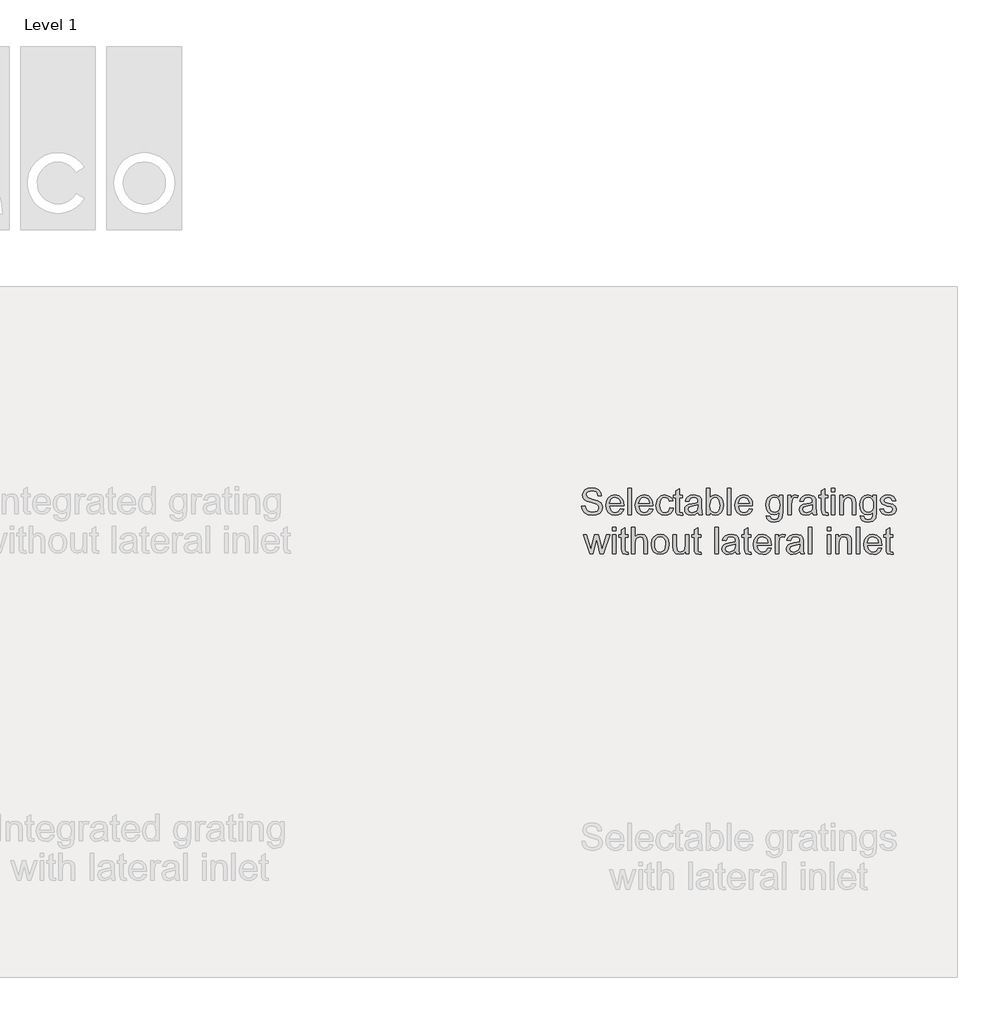
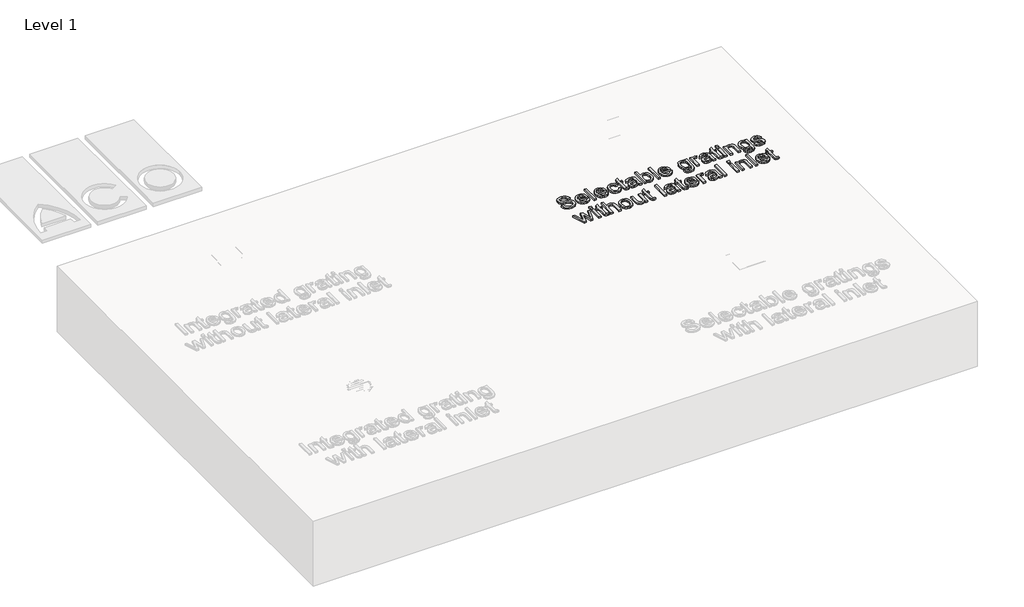
# One storey, part 4 of 5: 1 proxy.
"""IFC4 building model written with IfcOpenShell, lengths in millimetres."""

import ifcopenshell
import ifcopenshell.guid

model = None  # the IFC model being written
_history = None  # IfcOwnerHistory: only IFC2X3 demands one
_inside = {}  # id of a spatial element -> (the spatial element, [elements in it])
_under = {}  # id of a project, library or spatial element -> (it, [spatial elements below it])
_declared = {}  # id of a project -> (the project, [libraries it declares])
_typed = {}  # id of a type object -> (the type object, [elements of that type])
_made_of = {}  # id of a material, layer set ... -> (it, [elements and type objects made of it])


def new_model(schema):
    """Start an empty IFC model of exactly this schema.

    Asked for "IFC4X3", IfcOpenShell would pick the latest addendum, in which some entities
    have other attributes; the version numbers below select the first issue.
    IFC2X3 requires an IfcOwnerHistory on every rooted entity: one is made here for all.
    """
    global model, _history
    if schema == "IFC4X3":
        model = ifcopenshell.file(schema_version=(4, 3, 0, 0))
    else:
        model = ifcopenshell.file(schema=schema)
    _inside.clear()
    _under.clear()
    _declared.clear()
    _typed.clear()
    _made_of.clear()
    _history = None
    if model.schema == "IFC2X3":
        org = make("IfcOrganization", Name="unknown")
        user = make(
            "IfcPersonAndOrganization",
            ThePerson=make("IfcPerson", FamilyName="unknown"),
            TheOrganization=org,
        )
        app = make(
            "IfcApplication",
            ApplicationDeveloper=org,
            Version="unknown",
            ApplicationFullName="unknown",
            ApplicationIdentifier="unknown",
        )
        _history = make(
            "IfcOwnerHistory",
            OwningUser=user,
            OwningApplication=app,
            ChangeAction="ADDED",
            CreationDate=0,
        )
    return model


def make(cls, **values):
    """One entity of the class cls with the attributes given. An attribute that is None is left unset."""
    return model.create_entity(
        cls, **{name: value for name, value in values.items() if value is not None}
    )


def rooted(cls, **values):
    """An entity with a GlobalId (a new one), such as an element, a storey or a relation."""
    return make(cls, GlobalId=ifcopenshell.guid.new(), OwnerHistory=_history, **values)


def si_unit(unit_type, name, prefix=None):
    """IfcSIUnit, for example si_unit("LENGTHUNIT", "METRE", prefix="MILLI")."""
    return make("IfcSIUnit", UnitType=unit_type, Prefix=prefix, Name=name)


def assignment(units):
    """IfcUnitAssignment: the units of a project."""
    return None if units is None else make("IfcUnitAssignment", Units=units)


def point(xyz):
    """IfcCartesianPoint."""
    return None if xyz is None else make("IfcCartesianPoint", Coordinates=xyz)


def direction(xyz):
    """IfcDirection."""
    return None if xyz is None else make("IfcDirection", DirectionRatios=xyz)


def frame(location, z_axis=None, x_axis=None):
    """IfcAxis2Placement3D, a coordinate frame: its origin and axes. An axis left out is left unset."""
    return make(
        "IfcAxis2Placement3D",
        Location=point(location),
        Axis=direction(z_axis),
        RefDirection=direction(x_axis),
    )


def origin():
    """The frame at (0, 0, 0) with its axes left unset."""
    return frame((0.0, 0.0, 0.0))


def origin_with_axes():
    """The frame at (0, 0, 0) with the z axis (0, 0, 1) and the x axis (1, 0, 0) written out."""
    return frame((0.0, 0.0, 0.0), z_axis=(0.0, 0.0, 1.0), x_axis=(1.0, 0.0, 0.0))


def place(relative_to, where):
    """IfcLocalPlacement: puts the frame where relative to a parent placement (None: the world)."""
    return make(
        "IfcLocalPlacement", PlacementRelTo=relative_to, RelativePlacement=where
    )


def context(
    kind, dimensions, precision=None, world=None, true_north=None, identifier=None
):
    """IfcGeometricRepresentationContext, for example the 3D "Model" context."""
    return make(
        "IfcGeometricRepresentationContext",
        ContextIdentifier=identifier,
        ContextType=kind,
        CoordinateSpaceDimension=dimensions,
        Precision=precision,
        WorldCoordinateSystem=world,
        TrueNorth=true_north,
    )


def project(units=None, contexts=None):
    """IfcProject with its units and contexts."""
    return rooted(
        "IfcProject",
        Name="project",
        RepresentationContexts=contexts,
        UnitsInContext=assignment(units),
    )


def spatial(cls, under=None, at=None, **own):
    """A site, building, storey or space (cls), placed at a placement, below another one or the project."""
    s = rooted(cls, ObjectPlacement=at, **own)
    if under is not None:
        _under.setdefault(under.id(), (under, []))[1].append(s)
    return s


def polyline(points):
    """IfcPolyline through the points."""
    return make("IfcPolyline", Points=[point(p) for p in points])


def outline(outer, holes=None, kind="AREA"):
    """IfcArbitraryClosedProfileDef: a profile drawn as a closed curve; with holes, ...WithVoids."""
    if holes is None:
        return make("IfcArbitraryClosedProfileDef", ProfileType=kind, OuterCurve=outer)
    return make(
        "IfcArbitraryProfileDefWithVoids",
        ProfileType=kind,
        OuterCurve=outer,
        InnerCurves=holes,
    )


def extrude(swept, where, along, depth):
    """IfcExtrudedAreaSolid: the profile swept, set in the frame where, extruded along a direction by depth."""
    return make(
        "IfcExtrudedAreaSolid",
        SweptArea=swept,
        Position=where,
        ExtrudedDirection=direction(along),
        Depth=depth,
    )


def shape(context_of_items, identifier, shape_type, items):
    """IfcShapeRepresentation: the items that make up one representation, for example the "Body"."""
    return make(
        "IfcShapeRepresentation",
        ContextOfItems=context_of_items,
        RepresentationIdentifier=identifier,
        RepresentationType=shape_type,
        Items=items,
    )


def made_of(thing, what):
    """Note that an element or type object is made of a material, layer set ...; save() writes the relation."""
    if what is not None:
        _made_of.setdefault(what.id(), (what, []))[1].append(thing)
    return thing


def element(
    cls,
    number,
    at=None,
    inside=None,
    cuts=None,
    type_object=None,
    material=None,
    context=None,
    identifier="Body",
    shape_type=None,
    held_by="IfcProductDefinitionShape",
    body=None,
    shapes=None,
    **own,
):
    """One element of the class cls, such as IfcWall. Its Tag is "e" and its number.

    at: its placement. inside: the storey or other place that contains it. cuts: it is an
    opening in that element (IfcRelVoidsElement). A single representation is given by context,
    identifier, shape_type and body (its items); several are given by shapes. held_by: the class
    of the entity that holds the representations. save() writes the other relations.
    """
    e = rooted(cls, Tag="e%d" % number, ObjectPlacement=at, **own)
    if body is not None:
        shapes = [shape(context, identifier, shape_type, body)]
    if shapes is not None:
        e.Representation = make(held_by, Representations=shapes)
    if inside is not None:
        _inside.setdefault(inside.id(), (inside, []))[1].append(e)
    if cuts is not None:
        rooted(
            "IfcRelVoidsElement", RelatingBuildingElement=cuts, RelatedOpeningElement=e
        )
    if type_object is not None:
        _typed.setdefault(type_object.id(), (type_object, []))[1].append(e)
    return made_of(e, material)


def aggregate(whole, parts):
    """IfcRelAggregates: a whole, such as a stair, and the parts it consists of."""
    return rooted("IfcRelAggregates", RelatingObject=whole, RelatedObjects=parts)


def save(model, path):
    """Write the relations noted so far, then the file.

    IfcRelAggregates (storeys below a building ...), IfcRelContainedInSpatialStructure (elements
    in a storey), IfcRelDefinesByType, IfcRelAssociatesMaterial and IfcRelDeclares: one each for
    every whole, place, type object, material and project.
    """
    for whole, parts in _under.values():
        aggregate(whole, parts)
    for where, things in _inside.values():
        rooted(
            "IfcRelContainedInSpatialStructure",
            RelatedElements=things,
            RelatingStructure=where,
        )
    for kind, things in _typed.values():
        rooted("IfcRelDefinesByType", RelatedObjects=things, RelatingType=kind)
    for what, things in _made_of.values():
        rooted("IfcRelAssociatesMaterial", RelatedObjects=things, RelatingMaterial=what)
    for by, libraries in _declared.values():
        rooted("IfcRelDeclares", RelatingContext=by, RelatedDefinitions=libraries)
    model.write(path)


model = new_model("IFC4")

# Units and contexts
model_context = context("Model", 3, world=origin())
ifc_project = project(units=[si_unit("LENGTHUNIT", "METRE", prefix="MILLI")], contexts=[model_context])

# Site, building, storey
site = spatial("IfcSite", under=ifc_project)
building = spatial("IfcBuilding", under=site)
storey = spatial("IfcBuildingStorey", under=building, Name="Level 1", Elevation=0.0)

# Proxy
placement = place(None, origin())
element("IfcBuildingElementProxy", 1, Name="100mm ACO", ObjectType="100mm ACO", at=placement, inside=storey, context=model_context, shape_type="SweptSolid", body=[
    extrude(outline(polyline([(14433.1853513, 11088.8703197), (14431.1743559, 11097.7642722), (14426.7038698, 11104.1336299), (14410.3844253, 11109.24069), (14394.7594253, 11105.2621021), (14390.2455365, 11100.3756727), (14388.7409068, 11093.6735604), (14393.2258605, 11083.6185836), (14411.3971568, 11077.3251808), (14431.2322263, 11071.8419632), (14444.3832679, 11062.9154586), (14448.4848304, 11055.833572), (14449.8520179, 11046.6828197), (14447.3455075, 11034.844712), (14439.8259763, 11025.1984447), (14428.2772205, 11018.7856843), (14413.6830365, 11016.6480974), (14395.6998189, 11019.0207826), (14382.8959994, 11026.1388382), (14375.0834994, 11037.0329354), (14372.0742402, 11050.7337456), (14385.0372031, 11051.8332826), (14387.6666881, 11040.9572699), (14393.8769022, 11033.5028428), (14402.7129844, 11029.1951171), (14413.2200735, 11027.7592086), (14430.3497031, 11032.4901113), (14435.254217, 11038.0637514), (14436.889055, 11045.322866), (14435.1999635, 11052.6507016), (14430.1326892, 11057.67819), (14406.8543328, 11065.1290002), (14392.6435399, 11069.469278), (14383.0551429, 11075.3431206), (14377.5972436, 11082.9711588), (14375.7779439, 11092.5740234), (14378.0602066, 11103.5693937), (14384.9069948, 11112.4814308), (14395.6889682, 11118.3842086), (14409.7767865, 11120.3518012), (14424.3384184, 11118.369741), (14435.7316476, 11112.4235604), (14443.2403281, 11102.8315465), (14446.1483142, 11089.9119863), (14433.1853513, 11088.8703197)])), origin_with_axes(), (0.0, 0.0, 1.0), 10.0),
    extrude(outline(polyline([(14529.4816476, 11051.8332826), (14475.7779439, 11051.8332826), (14477.8504265, 11040.7077039), (14482.5632448, 11032.5624493), (14489.3449288, 11027.5711299), (14497.6240087, 11025.9073567), (14509.2993559, 11029.5965928), (14516.5186846, 11040.7221715), (14529.4816476, 11039.2175419), (14525.1052008, 11029.5965928), (14518.1679902, 11022.4930049), (14508.9231985, 11018.1093243), (14497.6240087, 11016.6480974), (14483.0370584, 11019.1546079), (14472.0308374, 11026.6741391), (14465.118945, 11038.5339481), (14462.8149809, 11054.0612919), (14465.0357564, 11069.5994863), (14471.6980828, 11081.89694), (14482.3968675, 11089.9047525), (14496.7270179, 11092.5740234), (14511.9469253, 11089.1162687), (14524.3745874, 11077.3396484), (14528.2048825, 11066.8036241), (14529.4816476, 11051.8332826)]), holes=[polyline([(14516.5186846, 11061.0925419), (14514.4353513, 11071.2487919), (14509.6899809, 11078.1064308), (14496.4087309, 11083.3147641), (14488.5528281, 11081.7667317), (14482.2304902, 11077.1226345), (14475.7779439, 11061.0925419), (14516.5186846, 11061.0925419)])]), origin_with_axes(), (0.0, 0.0, 1.0), 10.0),
    extrude(outline(polyline([(14557.2594253, 11018.4999493), (14544.2964624, 11018.4999493), (14544.2964624, 11118.4999493), (14557.2594253, 11118.4999493), (14557.2594253, 11018.4999493)])), origin_with_axes(), (0.0, 0.0, 1.0), 10.0),
    extrude(outline(polyline([(14638.7409068, 11051.8332826), (14585.0372031, 11051.8332826), (14587.1096858, 11040.7077039), (14591.822504, 11032.5624493), (14598.6041881, 11027.5711299), (14606.8832679, 11025.9073567), (14618.5586152, 11029.5965928), (14625.7779439, 11040.7221715), (14638.7409068, 11039.2175419), (14634.3644601, 11029.5965928), (14627.4272494, 11022.4930049), (14618.1824578, 11018.1093243), (14606.8832679, 11016.6480974), (14592.2963177, 11019.1546079), (14581.2900966, 11026.6741391), (14574.3782043, 11038.5339481), (14572.0742402, 11054.0612919), (14574.2950156, 11069.5994863), (14580.957342, 11081.89694), (14591.6561267, 11089.9047525), (14605.9862772, 11092.5740234), (14621.2061846, 11089.1162687), (14633.6338466, 11077.3396484), (14637.4641418, 11066.8036241), (14638.7409068, 11051.8332826)]), holes=[polyline([(14625.7779439, 11061.0925419), (14623.6946105, 11071.2487919), (14618.9492402, 11078.1064308), (14605.6679902, 11083.3147641), (14597.8120874, 11081.7667317), (14591.4897494, 11077.1226345), (14585.0372031, 11061.0925419), (14625.7779439, 11061.0925419)])]), origin_with_axes(), (0.0, 0.0, 1.0), 10.0),
    extrude(outline(polyline([(14714.6668328, 11042.9501808), (14710.6376082, 11031.1446252), (14703.4689161, 11022.984903), (14694.1445527, 11018.2322988), (14683.6483142, 11016.6480974), (14669.3326314, 11019.2377965), (14658.6772494, 11027.0068937), (14652.0583258, 11039.0511646), (14649.8520179, 11054.4663845), (14654.8867402, 11077.1515697), (14667.4880133, 11089.1162687), (14683.3878976, 11092.5740234), (14702.8468096, 11086.9171947), (14709.3825446, 11079.9329643), (14712.8149809, 11070.2939308), (14699.8520179, 11068.4999493), (14693.9492402, 11079.5965928), (14683.5325735, 11083.3147641), (14674.5771337, 11081.4303602), (14668.0811846, 11075.7771484), (14664.1315318, 11066.7457537), (14662.8149809, 11054.7268012), (14664.1351487, 11042.4980685), (14668.0956522, 11033.4160373), (14674.5445816, 11027.7845268), (14683.3300272, 11025.9073567), (14695.9313003, 11030.5369863), (14701.7038698, 11044.4258752), (14714.6668328, 11042.9501808)])), origin_with_axes(), (0.0, 0.0, 1.0), 10.0),
    extrude(outline(polyline([(14749.8520179, 11017.4872178), (14740.7663698, 11016.6480974), (14729.1778281, 11019.5271484), (14724.7362772, 11026.8332826), (14723.926092, 11039.1596715), (14723.926092, 11081.4629123), (14714.6668328, 11081.4629123), (14714.6668328, 11090.7221715), (14723.926092, 11090.7221715), (14723.926092, 11109.0670789), (14736.889055, 11116.6480974), (14736.889055, 11090.7221715), (14748.0001661, 11090.7221715), (14748.0001661, 11081.4629123), (14736.889055, 11081.4629123), (14736.889055, 11036.5555049), (14737.9307216, 11028.3379123), (14743.2258605, 11025.9073567), (14748.2605828, 11025.9073567), (14749.8520179, 11017.4872178)])), origin_with_axes(), (0.0, 0.0, 1.0), 10.0),
    extrude(outline(polyline([(14823.926092, 11018.4999493), (14810.963129, 11018.4999493), (14807.2594253, 11027.2383752), (14794.7666591, 11019.2956669), (14781.3045642, 11016.6480974), (14771.3183084, 11018.0948567), (14763.697504, 11022.4351345), (14758.868945, 11029.1480974), (14757.2594253, 11037.7129123), (14758.8363929, 11046.0209273), (14763.5672957, 11052.7158058), (14772.1972147, 11057.609469), (14785.4712309, 11060.5138382), (14796.8138235, 11062.2499493), (14807.2594253, 11064.7962456), (14806.9266707, 11072.8257595), (14804.9880133, 11077.7013382), (14799.8230828, 11081.7667317), (14790.2455365, 11083.3147641), (14778.1650966, 11080.1752965), (14772.0742402, 11068.4999493), (14759.1112772, 11070.0913845), (14762.6666881, 11079.9004123), (14769.3398652, 11086.9316623), (14779.1235747, 11091.1634331), (14792.0105828, 11092.5740234), (14811.2669485, 11088.7111762), (14818.8190318, 11079.3940465), (14820.2223883, 11065.3460141), (14820.2223883, 11048.8240234), (14820.7721568, 11028.5693937), (14823.926092, 11018.4999493)]), holes=[polyline([(14807.2594253, 11050.9073567), (14807.2594253, 11055.5369863), (14783.9810689, 11050.2129123), (14773.6620584, 11046.1547525), (14770.2223883, 11037.9154586), (14773.926092, 11029.2927734), (14784.6031753, 11025.9073567), (14800.416254, 11031.578653), (14805.5486325, 11039.2464771), (14807.2594253, 11050.9073567)])]), origin_with_axes(), (0.0, 0.0, 1.0), 10.0),
    extrude(outline(polyline([(14851.8774809, 11083.5751808), (14860.2397494, 11090.3243127), (14871.3219253, 11092.5740234), (14883.7459705, 11090.0277271), (14893.4139392, 11082.3888382), (14899.6313872, 11070.641153), (14901.7038698, 11055.7684678), (14899.425224, 11039.0330801), (14892.5892865, 11026.7320095), (14882.7006869, 11019.1690755), (14871.264055, 11016.6480974), (14860.2469832, 11019.1220558), (14851.9642865, 11026.5439308), (14851.7038698, 11018.4999493), (14838.7409068, 11018.4999493), (14838.7409068, 11118.4999493), (14851.7038698, 11118.4999493), (14851.8774809, 11083.5751808)]), holes=[polyline([(14870.0487772, 11025.9073567), (14877.4670353, 11027.7989944), (14883.4602355, 11033.4739076), (14887.420739, 11042.5704065), (14888.7409068, 11054.7268012), (14883.8797957, 11075.6035373), (14878.0927587, 11081.3869574), (14870.4538698, 11083.3147641), (14862.8294485, 11081.3254701), (14856.8543328, 11075.3575882), (14851.7038698, 11055.2186993), (14853.8450735, 11038.2626808), (14860.2976198, 11029.5676576), (14870.0487772, 11025.9073567)])]), origin_with_axes(), (0.0, 0.0, 1.0), 10.0),
    extrude(outline(polyline([(14929.4816476, 11018.4999493), (14916.5186846, 11018.4999493), (14916.5186846, 11118.4999493), (14929.4816476, 11118.4999493), (14929.4816476, 11018.4999493)])), origin_with_axes(), (0.0, 0.0, 1.0), 10.0),
    extrude(outline(polyline([(15010.963129, 11051.8332826), (14957.2594253, 11051.8332826), (14959.331908, 11040.7077039), (14964.0447263, 11032.5624493), (14970.8264103, 11027.5711299), (14979.1054902, 11025.9073567), (14990.7808374, 11029.5965928), (14998.0001661, 11040.7221715), (15010.963129, 11039.2175419), (15006.5866823, 11029.5965928), (14999.6494716, 11022.4930049), (14990.40468, 11018.1093243), (14979.1054902, 11016.6480974), (14964.5185399, 11019.1546079), (14953.5123189, 11026.6741391), (14946.6004265, 11038.5339481), (14944.2964624, 11054.0612919), (14946.5172378, 11069.5994863), (14953.1795642, 11081.89694), (14963.878349, 11089.9047525), (14978.2084994, 11092.5740234), (14993.4284068, 11089.1162687), (15005.8560689, 11077.3396484), (15009.686364, 11066.8036241), (15010.963129, 11051.8332826)]), holes=[polyline([(14998.0001661, 11061.0925419), (14995.9168328, 11071.2487919), (14991.1714624, 11078.1064308), (14977.8902124, 11083.3147641), (14970.0343096, 11081.7667317), (14963.7119716, 11077.1226345), (14957.2594253, 11061.0925419), (14998.0001661, 11061.0925419)])]), origin_with_axes(), (0.0, 0.0, 1.0), 10.0),
    extrude(outline(polyline([(15123.926092, 11029.1480974), (15120.87343, 11006.506315), (15110.0082679, 10994.8743706), (15091.3450735, 10990.7221715), (15080.1290723, 10992.1291449), (15070.9602355, 10996.350065), (15064.8512946, 11003.7755569), (15062.8149809, 11014.7962456), (15075.7779439, 11012.7418474), (15080.3497031, 11003.1787687), (15091.5476198, 10999.9814308), (15104.857805, 11003.6706669), (15110.0227355, 11012.6550419), (15110.963129, 11027.2673104), (15102.1885341, 11020.6917896), (15091.3740087, 11018.4999493), (15078.9825156, 11021.1113498), (15069.2964624, 11028.9455512), (15063.0464624, 11040.7583405), (15060.963129, 11055.3055049), (15062.9451892, 11069.9467086), (15068.8913698, 11081.9258752), (15078.3387078, 11089.9119863), (15090.8242402, 11092.5740234), (15101.8991823, 11090.1941044), (15110.7027124, 11083.0543474), (15110.963129, 11090.7221715), (15123.926092, 11090.7221715), (15123.926092, 11029.1480974)]), holes=[polyline([(15093.3126661, 11027.7592086), (15100.524761, 11029.3651113), (15106.8832679, 11034.1828197), (15111.3320527, 11042.7765697), (15112.8149809, 11055.7105974), (15111.4007737, 11067.4980685), (15107.1581522, 11076.182241), (15100.8321973, 11081.5316333), (15093.1679902, 11083.3147641), (15085.4459126, 11081.4882305), (15079.2935689, 11076.0086299), (15075.2679612, 11067.3533926), (15073.926092, 11055.9999493), (15075.3330654, 11043.2829354), (15079.5539855, 11034.5300419), (15085.8076024, 11029.4519169), (15093.3126661, 11027.7592086)])]), origin_with_axes(), (0.0, 0.0, 1.0), 10.0),
    extrude(outline(polyline([(15181.3334994, 11089.7383752), (15177.2825735, 11081.4629123), (15168.775629, 11083.3147641), (15162.9813582, 11081.6871599), (15158.7929902, 11076.8043474), (15155.4075735, 11058.5751808), (15155.4075735, 11018.4999493), (15142.4446105, 11018.4999493), (15142.4446105, 11090.7221715), (15153.5557216, 11090.7221715), (15153.5557216, 11080.016153), (15160.4856985, 11089.4345558), (15168.920305, 11092.5740234), (15181.3334994, 11089.7383752)])), origin_with_axes(), (0.0, 0.0, 1.0), 10.0),
    extrude(outline(polyline([(15251.7038698, 11018.4999493), (15238.7409068, 11018.4999493), (15235.0372031, 11027.2383752), (15222.5444369, 11019.2956669), (15209.082342, 11016.6480974), (15199.0960862, 11018.0948567), (15191.4752818, 11022.4351345), (15186.6467228, 11029.1480974), (15185.0372031, 11037.7129123), (15186.6141707, 11046.0209273), (15191.3450735, 11052.7158058), (15199.9749925, 11057.609469), (15213.2490087, 11060.5138382), (15224.5916013, 11062.2499493), (15235.0372031, 11064.7962456), (15234.7044485, 11072.8257595), (15232.7657911, 11077.7013382), (15227.6008605, 11081.7667317), (15218.0233142, 11083.3147641), (15205.9428744, 11080.1752965), (15199.8520179, 11068.4999493), (15186.889055, 11070.0913845), (15190.4444659, 11079.9004123), (15197.1176429, 11086.9316623), (15206.9013524, 11091.1634331), (15219.7883605, 11092.5740234), (15239.0447263, 11088.7111762), (15246.5968096, 11079.3940465), (15248.0001661, 11065.3460141), (15248.0001661, 11048.8240234), (15248.5499346, 11028.5693937), (15251.7038698, 11018.4999493)]), holes=[polyline([(15235.0372031, 11050.9073567), (15235.0372031, 11055.5369863), (15211.7588466, 11050.2129123), (15201.4398362, 11046.1547525), (15198.0001661, 11037.9154586), (15201.7038698, 11029.2927734), (15212.3809531, 11025.9073567), (15228.1940318, 11031.578653), (15233.3264103, 11039.2464771), (15235.0372031, 11050.9073567)])]), origin_with_axes(), (0.0, 0.0, 1.0), 10.0),
    extrude(outline(polyline([(15294.2964624, 11017.4872178), (15285.2108142, 11016.6480974), (15273.6222726, 11019.5271484), (15269.1807216, 11026.8332826), (15268.3705365, 11039.1596715), (15268.3705365, 11081.4629123), (15259.1112772, 11081.4629123), (15259.1112772, 11090.7221715), (15268.3705365, 11090.7221715), (15268.3705365, 11109.0670789), (15281.3334994, 11116.6480974), (15281.3334994, 11090.7221715), (15292.4446105, 11090.7221715), (15292.4446105, 11081.4629123), (15281.3334994, 11081.4629123), (15281.3334994, 11036.5555049), (15282.3751661, 11028.3379123), (15287.670305, 11025.9073567), (15292.7050272, 11025.9073567), (15294.2964624, 11017.4872178)])), origin_with_axes(), (0.0, 0.0, 1.0), 10.0),
    extrude(outline(polyline([(15318.3705365, 11018.4999493), (15305.4075735, 11018.4999493), (15305.4075735, 11090.7221715), (15318.3705365, 11090.7221715), (15318.3705365, 11018.4999493)])), origin_with_axes(), (0.0, 0.0, 1.0), 10.0),
    extrude(outline(polyline([(15318.3705365, 11105.5369863), (15305.4075735, 11105.5369863), (15305.4075735, 11118.4999493), (15318.3705365, 11118.4999493), (15318.3705365, 11105.5369863)])), origin_with_axes(), (0.0, 0.0, 1.0), 10.0),
    extrude(outline(polyline([(15396.1483142, 11018.4999493), (15383.1853513, 11018.4999493), (15383.1853513, 11063.4652271), (15379.322504, 11079.0612919), (15368.5730828, 11083.3147641), (15358.5470411, 11080.5948567), (15351.8340781, 11072.9270326), (15349.8520179, 11058.922403), (15349.8520179, 11018.4999493), (15336.889055, 11018.4999493), (15336.889055, 11090.7221715), (15348.0001661, 11090.7221715), (15348.0001661, 11080.6816623), (15357.8959994, 11089.6081669), (15371.1483142, 11092.5740234), (15382.519842, 11090.5196252), (15391.3161383, 11084.3708984), (15395.3236615, 11075.6324724), (15396.1483142, 11063.0890697), (15396.1483142, 11018.4999493)])), origin_with_axes(), (0.0, 0.0, 1.0), 10.0),
    extrude(outline(polyline([(15473.926092, 11029.1480974), (15470.87343, 11006.506315), (15460.0082679, 10994.8743706), (15441.3450735, 10990.7221715), (15430.1290723, 10992.1291449), (15420.9602355, 10996.350065), (15414.8512946, 11003.7755569), (15412.8149809, 11014.7962456), (15425.7779439, 11012.7418474), (15430.3497031, 11003.1787687), (15441.5476198, 10999.9814308), (15454.857805, 11003.6706669), (15460.0227355, 11012.6550419), (15460.963129, 11027.2673104), (15452.1885341, 11020.6917896), (15441.3740087, 11018.4999493), (15428.9825156, 11021.1113498), (15419.2964624, 11028.9455512), (15413.0464624, 11040.7583405), (15410.963129, 11055.3055049), (15412.9451892, 11069.9467086), (15418.8913698, 11081.9258752), (15428.3387078, 11089.9119863), (15440.8242402, 11092.5740234), (15451.8991823, 11090.1941044), (15460.7027124, 11083.0543474), (15460.963129, 11090.7221715), (15473.926092, 11090.7221715), (15473.926092, 11029.1480974)]), holes=[polyline([(15443.3126661, 11027.7592086), (15450.524761, 11029.3651113), (15456.8832679, 11034.1828197), (15461.3320527, 11042.7765697), (15462.8149809, 11055.7105974), (15461.4007737, 11067.4980685), (15457.1581522, 11076.182241), (15450.8321973, 11081.5316333), (15443.1679902, 11083.3147641), (15435.4459126, 11081.4882305), (15429.2935689, 11076.0086299), (15425.2679612, 11067.3533926), (15423.926092, 11055.9999493), (15425.3330654, 11043.2829354), (15429.5539855, 11034.5300419), (15435.8076024, 11029.4519169), (15443.3126661, 11027.7592086)])]), origin_with_axes(), (0.0, 0.0, 1.0), 10.0),
    extrude(outline(polyline([(15533.1853513, 11070.3518012), (15528.3965781, 11080.0740234), (15517.3288698, 11083.3147641), (15506.0152124, 11080.5369863), (15501.7038698, 11072.4640697), (15504.5539855, 11065.3170789), (15517.994379, 11061.4397641), (15535.71718, 11057.2730974), (15544.7594253, 11050.9507595), (15548.0001661, 11039.6226345), (15545.9891707, 11030.692513), (15539.9561846, 11023.2887224), (15530.5594832, 11018.3082537), (15518.457342, 11016.6480974), (15505.9826603, 11018.0442201), (15496.5678744, 11022.2325882), (15490.2057506, 11029.2059678), (15486.889055, 11038.9571252), (15499.8520179, 11040.7221715), (15505.4509763, 11029.5965928), (15518.457342, 11025.9073567), (15530.7547957, 11029.7412687), (15535.0372031, 11039.072866), (15533.1130133, 11045.0479817), (15528.3097726, 11048.4189308), (15514.7247031, 11051.3124493), (15493.7900966, 11059.1249493), (15488.7409068, 11071.7117549), (15490.6108432, 11079.9980685), (15496.2206522, 11086.6857132), (15504.9916302, 11091.1019458), (15516.3450735, 11092.5740234), (15528.2772205, 11091.2864076), (15537.2218096, 11087.4235604), (15543.1788409, 11080.9927155), (15546.1483142, 11072.0011067), (15533.1853513, 11070.3518012)])), origin_with_axes(), (0.0, 0.0, 1.0), 10.0),
    extrude(outline(polyline([(14477.1668328, 10944.4258752), (14452.9770179, 10872.203653), (14440.7084994, 10872.203653), (14430.2050272, 10915.6064308), (14428.8884763, 10921.4658058), (14427.6297957, 10927.8749493), (14414.869379, 10872.203653), (14402.6008605, 10872.203653), (14378.0927587, 10944.4258752), (14389.6378976, 10944.4258752), (14407.2594253, 10887.1920789), (14409.3716939, 10896.9432363), (14420.4249346, 10944.4258752), (14434.9214624, 10944.4258752), (14443.6888235, 10906.5497178), (14447.7686846, 10888.7545789), (14465.5927587, 10944.4258752), (14477.1668328, 10944.4258752)])), origin_with_axes(), (0.0, 0.0, 1.0), 10.0),
    extrude(outline(polyline([(14500.7779439, 10872.203653), (14487.8149809, 10872.203653), (14487.8149809, 10944.4258752), (14500.7779439, 10944.4258752), (14500.7779439, 10872.203653)])), origin_with_axes(), (0.0, 0.0, 1.0), 10.0),
    extrude(outline(polyline([(14500.7779439, 10959.24069), (14487.8149809, 10959.24069), (14487.8149809, 10972.203653), (14500.7779439, 10972.203653), (14500.7779439, 10959.24069)])), origin_with_axes(), (0.0, 0.0, 1.0), 10.0),
    extrude(outline(polyline([(14547.0742402, 10871.1909215), (14537.988592, 10870.3518012), (14526.4000503, 10873.2308521), (14521.9584994, 10880.5369863), (14521.1483142, 10892.8633752), (14521.1483142, 10935.166616), (14511.889055, 10935.166616), (14511.889055, 10944.4258752), (14521.1483142, 10944.4258752), (14521.1483142, 10962.7707826), (14534.1112772, 10970.3518012), (14534.1112772, 10944.4258752), (14545.2223883, 10944.4258752), (14545.2223883, 10935.166616), (14534.1112772, 10935.166616), (14534.1112772, 10890.2592086), (14535.1529439, 10882.041616), (14540.4480828, 10879.6110604), (14545.482805, 10879.6110604), (14547.0742402, 10871.1909215)])), origin_with_axes(), (0.0, 0.0, 1.0), 10.0),
    extrude(outline(polyline([(14617.4446105, 10872.203653), (14604.4816476, 10872.203653), (14604.4816476, 10918.9050419), (14600.7924115, 10932.4901113), (14589.7825735, 10937.0184678), (14576.8485457, 10931.6799262), (14572.5733721, 10924.2472005), (14571.1483142, 10912.6261067), (14571.1483142, 10872.203653), (14558.1853513, 10872.203653), (14558.1853513, 10972.203653), (14571.1483142, 10972.203653), (14571.1483142, 10936.3818937), (14580.8488351, 10943.8037687), (14592.7050272, 10946.2777271), (14605.9862772, 10943.4131437), (14614.8838466, 10934.6023799), (14617.4446105, 10918.0948567), (14617.4446105, 10872.203653)])), origin_with_axes(), (0.0, 0.0, 1.0), 10.0),
    extrude(outline(polyline([(14665.5638235, 10946.2777271), (14678.7401834, 10943.8833405), (14689.4498189, 10936.7001808), (14696.5570237, 10925.1044053), (14698.926092, 10909.4721715), (14696.3617112, 10891.1996021), (14688.6685689, 10879.2059678), (14677.7636209, 10872.5653428), (14665.5638235, 10870.3518012), (14652.973401, 10872.6268301), (14642.1697263, 10879.4519169), (14634.7370006, 10891.2176866), (14632.2594253, 10908.3147641), (14634.6538119, 10925.0320674), (14641.8369716, 10936.8737919), (14652.5574578, 10943.9267433), (14665.5638235, 10946.2777271)]), holes=[polyline([(14665.5638235, 10879.6110604), (14674.3709705, 10881.6184389), (14680.7692633, 10887.6405743), (14685.963129, 10908.7777271), (14684.4946684, 10921.0607132), (14680.0892865, 10929.9004123), (14673.5209994, 10935.2389539), (14665.5638235, 10937.0184678), (14657.4511209, 10935.2136356), (14650.9370874, 10929.7991391), (14646.6510631, 10920.8111472), (14645.2223883, 10908.2858289), (14646.6763814, 10895.8039134), (14651.0383605, 10886.8303891), (14657.5777124, 10881.4158926), (14665.5638235, 10879.6110604)])]), origin_with_axes(), (0.0, 0.0, 1.0), 10.0),
    extrude(outline(polyline([(14773.0001661, 10872.203653), (14761.889055, 10872.203653), (14761.889055, 10882.7071252), (14751.6459994, 10873.4406322), (14738.6830365, 10870.3518012), (14724.5626661, 10873.8674262), (14715.9110457, 10883.5462456), (14713.7409068, 10899.547403), (14713.7409068, 10944.4258752), (14726.7038698, 10944.4258752), (14726.7038698, 10903.453653), (14727.6008605, 10889.3622178), (14732.2883605, 10882.359903), (14741.3161383, 10879.6110604), (14754.0620874, 10884.5300419), (14758.5434242, 10892.0821252), (14760.0372031, 10904.9004123), (14760.0372031, 10944.4258752), (14773.0001661, 10944.4258752), (14773.0001661, 10872.203653)])), origin_with_axes(), (0.0, 0.0, 1.0), 10.0),
    extrude(outline(polyline([(14819.2964624, 10871.1909215), (14810.2108142, 10870.3518012), (14798.6222726, 10873.2308521), (14794.1807216, 10880.5369863), (14793.3705365, 10892.8633752), (14793.3705365, 10935.166616), (14784.1112772, 10935.166616), (14784.1112772, 10944.4258752), (14793.3705365, 10944.4258752), (14793.3705365, 10962.7707826), (14806.3334994, 10970.3518012), (14806.3334994, 10944.4258752), (14817.4446105, 10944.4258752), (14817.4446105, 10935.166616), (14806.3334994, 10935.166616), (14806.3334994, 10890.2592086), (14807.3751661, 10882.041616), (14812.670305, 10879.6110604), (14817.7050272, 10879.6110604), (14819.2964624, 10871.1909215)])), origin_with_axes(), (0.0, 0.0, 1.0), 10.0),
    extrude(outline(polyline([(14882.2594253, 10872.203653), (14869.2964624, 10872.203653), (14869.2964624, 10972.203653), (14882.2594253, 10972.203653), (14882.2594253, 10872.203653)])), origin_with_axes(), (0.0, 0.0, 1.0), 10.0),
    extrude(outline(polyline([(14963.7409068, 10872.203653), (14950.7779439, 10872.203653), (14947.0742402, 10880.9420789), (14934.581474, 10872.9993706), (14921.119379, 10870.3518012), (14911.1331233, 10871.7985604), (14903.5123189, 10876.1388382), (14898.6837598, 10882.8518012), (14897.0742402, 10891.416616), (14898.6512078, 10899.724631), (14903.3821105, 10906.4195095), (14912.0120295, 10911.3131727), (14925.2860457, 10914.2175419), (14936.6286383, 10915.953653), (14947.0742402, 10918.4999493), (14946.7414855, 10926.5294632), (14944.8028281, 10931.4050419), (14939.6378976, 10935.4704354), (14930.0603513, 10937.0184678), (14917.9799115, 10933.8790002), (14911.889055, 10922.203653), (14898.926092, 10923.7950882), (14902.4815029, 10933.604116), (14909.15468, 10940.635366), (14918.9383895, 10944.8671368), (14931.8253976, 10946.2777271), (14951.0817633, 10942.4148799), (14958.6338466, 10933.0977502), (14960.0372031, 10919.0497178), (14960.0372031, 10902.5277271), (14960.5869716, 10882.2730974), (14963.7409068, 10872.203653)]), holes=[polyline([(14947.0742402, 10904.6110604), (14947.0742402, 10909.24069), (14923.7958837, 10903.916616), (14913.4768733, 10899.8584562), (14910.0372031, 10891.6191623), (14913.7409068, 10882.9964771), (14924.4179902, 10879.6110604), (14940.2310689, 10885.2823567), (14945.3634473, 10892.9501808), (14947.0742402, 10904.6110604)])]), origin_with_axes(), (0.0, 0.0, 1.0), 10.0),
    extrude(outline(polyline([(15006.3334994, 10871.1909215), (14997.2478513, 10870.3518012), (14985.6593096, 10873.2308521), (14981.2177587, 10880.5369863), (14980.4075735, 10892.8633752), (14980.4075735, 10935.166616), (14971.1483142, 10935.166616), (14971.1483142, 10944.4258752), (14980.4075735, 10944.4258752), (14980.4075735, 10962.7707826), (14993.3705365, 10970.3518012), (14993.3705365, 10944.4258752), (15004.4816476, 10944.4258752), (15004.4816476, 10935.166616), (14993.3705365, 10935.166616), (14993.3705365, 10890.2592086), (14994.4122031, 10882.041616), (14999.707342, 10879.6110604), (15004.7420642, 10879.6110604), (15006.3334994, 10871.1909215)])), origin_with_axes(), (0.0, 0.0, 1.0), 10.0),
    extrude(outline(polyline([(15080.4075735, 10905.5369863), (15026.7038698, 10905.5369863), (15028.7763524, 10894.4114076), (15033.4891707, 10886.266153), (15040.2708547, 10881.2748336), (15048.5499346, 10879.6110604), (15060.2252818, 10883.3002965), (15067.4446105, 10894.4258752), (15080.4075735, 10892.9212456), (15076.0311267, 10883.3002965), (15069.0939161, 10876.1967086), (15059.8491244, 10871.813028), (15048.5499346, 10870.3518012), (15033.9629844, 10872.8583116), (15022.9567633, 10880.3778428), (15016.0448709, 10892.2376518), (15013.7409068, 10907.7649956), (15015.9616823, 10923.30319), (15022.6240087, 10935.6006437), (15033.3227934, 10943.6084562), (15047.6529439, 10946.2777271), (15062.8728513, 10942.8199724), (15075.3005133, 10931.0433521), (15079.1308084, 10920.5073278), (15080.4075735, 10905.5369863)]), holes=[polyline([(15067.4446105, 10914.7962456), (15065.3612772, 10924.9524956), (15060.6159068, 10931.8101345), (15047.3346568, 10937.0184678), (15039.478754, 10935.4704354), (15033.1564161, 10930.8263382), (15026.7038698, 10914.7962456), (15067.4446105, 10914.7962456)])]), origin_with_axes(), (0.0, 0.0, 1.0), 10.0),
    extrude(outline(polyline([(15134.1112772, 10943.4420789), (15130.0603513, 10935.166616), (15121.5534068, 10937.0184678), (15115.759136, 10935.3908637), (15111.5707679, 10930.5080512), (15108.1853513, 10912.2788845), (15108.1853513, 10872.203653), (15095.2223883, 10872.203653), (15095.2223883, 10944.4258752), (15106.3334994, 10944.4258752), (15106.3334994, 10933.7198567), (15113.2634763, 10943.1382595), (15121.6980828, 10946.2777271), (15134.1112772, 10943.4420789)])), origin_with_axes(), (0.0, 0.0, 1.0), 10.0),
    extrude(outline(polyline([(15204.4816476, 10872.203653), (15191.5186846, 10872.203653), (15187.8149809, 10880.9420789), (15175.3222147, 10872.9993706), (15161.8601198, 10870.3518012), (15151.873864, 10871.7985604), (15144.2530596, 10876.1388382), (15139.4245006, 10882.8518012), (15137.8149809, 10891.416616), (15139.3919485, 10899.724631), (15144.1228513, 10906.4195095), (15152.7527703, 10911.3131727), (15166.0267865, 10914.2175419), (15177.369379, 10915.953653), (15187.8149809, 10918.4999493), (15187.4822263, 10926.5294632), (15185.5435689, 10931.4050419), (15180.3786383, 10935.4704354), (15170.801092, 10937.0184678), (15158.7206522, 10933.8790002), (15152.6297957, 10922.203653), (15139.6668328, 10923.7950882), (15143.2222436, 10933.604116), (15149.8954207, 10940.635366), (15159.6791302, 10944.8671368), (15172.5661383, 10946.2777271), (15191.822504, 10942.4148799), (15199.3745874, 10933.0977502), (15200.7779439, 10919.0497178), (15200.7779439, 10902.5277271), (15201.3277124, 10882.2730974), (15204.4816476, 10872.203653)]), holes=[polyline([(15187.8149809, 10904.6110604), (15187.8149809, 10909.24069), (15164.5366244, 10903.916616), (15154.217614, 10899.8584562), (15150.7779439, 10891.6191623), (15154.4816476, 10882.9964771), (15165.1587309, 10879.6110604), (15180.9718096, 10885.2823567), (15186.1041881, 10892.9501808), (15187.8149809, 10904.6110604)])]), origin_with_axes(), (0.0, 0.0, 1.0), 10.0),
    extrude(outline(polyline([(15232.2594253, 10872.203653), (15219.2964624, 10872.203653), (15219.2964624, 10972.203653), (15232.2594253, 10972.203653), (15232.2594253, 10872.203653)])), origin_with_axes(), (0.0, 0.0, 1.0), 10.0),
    extrude(outline(polyline([(15302.6297957, 10959.24069), (15289.6668328, 10959.24069), (15289.6668328, 10972.203653), (15302.6297957, 10972.203653), (15302.6297957, 10959.24069)])), origin_with_axes(), (0.0, 0.0, 1.0), 10.0),
    extrude(outline(polyline([(15302.6297957, 10872.203653), (15289.6668328, 10872.203653), (15289.6668328, 10944.4258752), (15302.6297957, 10944.4258752), (15302.6297957, 10872.203653)])), origin_with_axes(), (0.0, 0.0, 1.0), 10.0),
    extrude(outline(polyline([(15380.4075735, 10872.203653), (15367.4446105, 10872.203653), (15367.4446105, 10917.1689308), (15363.5817633, 10932.7649956), (15352.832342, 10937.0184678), (15342.8063003, 10934.2985604), (15336.0933374, 10926.6307363), (15334.1112772, 10912.6261067), (15334.1112772, 10872.203653), (15321.1483142, 10872.203653), (15321.1483142, 10944.4258752), (15332.2594253, 10944.4258752), (15332.2594253, 10934.385366), (15342.1552587, 10943.3118706), (15355.4075735, 10946.2777271), (15366.7791013, 10944.2233289), (15375.5753976, 10938.0746021), (15379.5829207, 10929.3361762), (15380.4075735, 10916.7927734), (15380.4075735, 10872.203653)])), origin_with_axes(), (0.0, 0.0, 1.0), 10.0),
    extrude(outline(polyline([(15411.889055, 10872.203653), (15398.926092, 10872.203653), (15398.926092, 10972.203653), (15411.889055, 10972.203653), (15411.889055, 10872.203653)])), origin_with_axes(), (0.0, 0.0, 1.0), 10.0),
    extrude(outline(polyline([(15493.3705365, 10905.5369863), (15439.6668328, 10905.5369863), (15441.7393154, 10894.4114076), (15446.4521337, 10886.266153), (15453.2338177, 10881.2748336), (15461.5128976, 10879.6110604), (15473.1882448, 10883.3002965), (15480.4075735, 10894.4258752), (15493.3705365, 10892.9212456), (15488.9940897, 10883.3002965), (15482.056879, 10876.1967086), (15472.8120874, 10871.813028), (15461.5128976, 10870.3518012), (15446.9259473, 10872.8583116), (15435.9197263, 10880.3778428), (15429.0078339, 10892.2376518), (15426.7038698, 10907.7649956), (15428.9246453, 10923.30319), (15435.5869716, 10935.6006437), (15446.2857564, 10943.6084562), (15460.6159068, 10946.2777271), (15475.8358142, 10942.8199724), (15488.2634763, 10931.0433521), (15492.0937714, 10920.5073278), (15493.3705365, 10905.5369863)]), holes=[polyline([(15480.4075735, 10914.7962456), (15478.3242402, 10924.9524956), (15473.5788698, 10931.8101345), (15460.2976198, 10937.0184678), (15452.441717, 10935.4704354), (15446.119379, 10930.8263382), (15439.6668328, 10914.7962456), (15480.4075735, 10914.7962456)])]), origin_with_axes(), (0.0, 0.0, 1.0), 10.0),
    extrude(outline(polyline([(15535.963129, 10871.1909215), (15526.8774809, 10870.3518012), (15515.2889392, 10873.2308521), (15510.8473883, 10880.5369863), (15510.0372031, 10892.8633752), (15510.0372031, 10935.166616), (15500.7779439, 10935.166616), (15500.7779439, 10944.4258752), (15510.0372031, 10944.4258752), (15510.0372031, 10962.7707826), (15523.0001661, 10970.3518012), (15523.0001661, 10944.4258752), (15534.1112772, 10944.4258752), (15534.1112772, 10935.166616), (15523.0001661, 10935.166616), (15523.0001661, 10890.2592086), (15524.0418328, 10882.041616), (15529.3369716, 10879.6110604), (15534.3716939, 10879.6110604), (15535.963129, 10871.1909215)])), origin_with_axes(), (0.0, 0.0, 1.0), 10.0),
])

save(model, "model.ifc")
